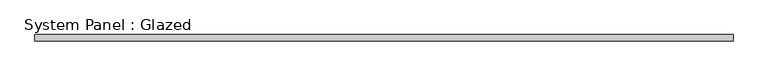
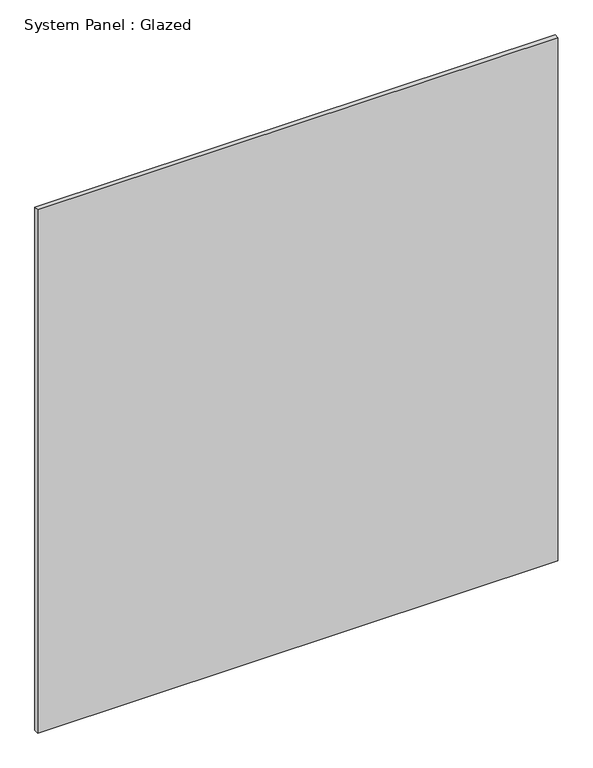
"""IFC4 building model written with IfcOpenShell, lengths in millimetres: plate geometry, System Panel : Glazed."""

from ifc_helpers import new_model, si_unit, origin, origin_with_axes, place, context, project, spatial, polyline, outline, extrude, source, transform, mapped, element, save


def system_panel_glazed_664a8e11(model_context):
    return source(origin(), model_context, "Body", "SweptSolid", [
        extrude(outline(polyline([(1409.7, -44.45), (-1409.7, -44.45), (-1409.7, -19.05), (1409.7, -19.05), (1409.7, -44.45)])), origin_with_axes(), (0.0, 0.0, 1.0), 2997.2),
    ])


if __name__ == "__main__":
    model = new_model("IFC4")
    model_context = context("Model", 3, world=origin())
    ifc_project = project(units=[si_unit("LENGTHUNIT", "METRE", prefix="MILLI")], contexts=[model_context])
    site = spatial("IfcSite", under=ifc_project)
    building = spatial("IfcBuilding", under=site)
    placement = place(None, origin())
    system_panel_glazed_shape = system_panel_glazed_664a8e11(model_context)
    element("IfcPlate", 1, ObjectType="System Panel : Glazed", at=placement, inside=building, context=model_context, shape_type="MappedRepresentation", body=[
        mapped(system_panel_glazed_shape, transform((0.0, 0.0, 0.0), x_axis=(1.0, 0.0, 0.0), y_axis=(0.0, 1.0, 0.0), z_axis=(0.0, 0.0, 1.0))),
    ])
    save(model, "model.ifc")
